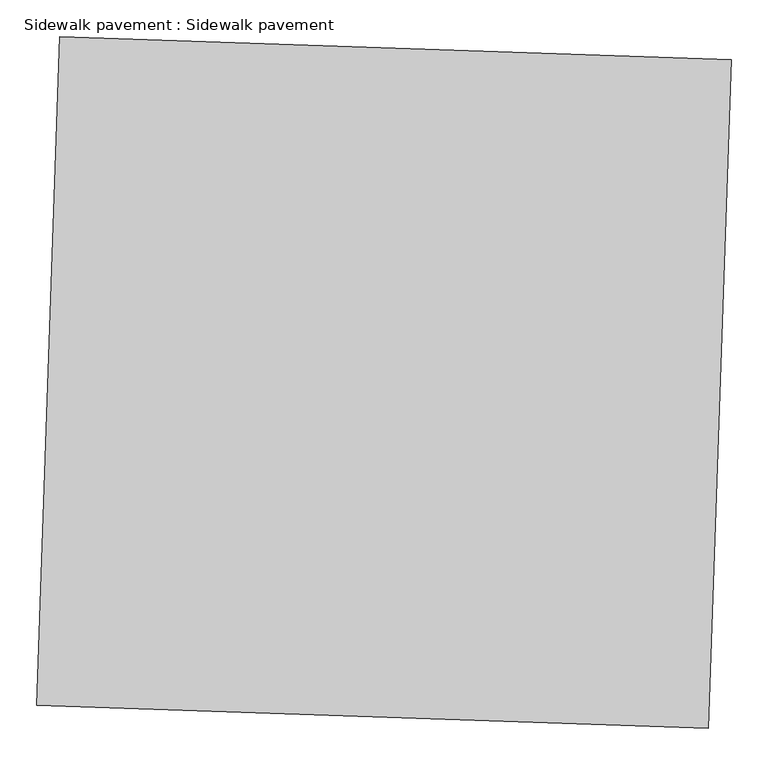
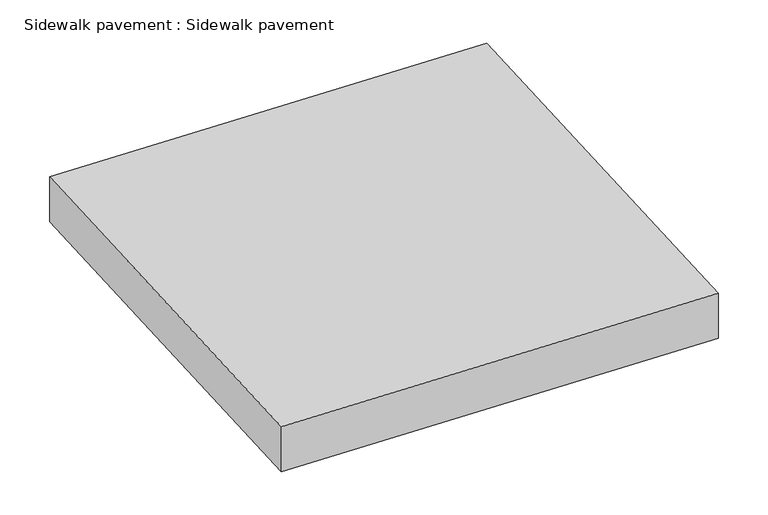
"""IFC4 building model written with IfcOpenShell, lengths in millimetres: proxy geometry, Sidewalk pavement : Sidewalk pavement."""

from ifc_helpers import new_model, si_unit, frame, origin, place, context, project, spatial, polyline, outline, extrude, source, transform, mapped, element, save


def sidewalk_pavement_sidewalk_pavement_e5bdaaae(model_context):
    return source(origin(), model_context, "Body", "SweptSolid", [
        extrude(outline(polyline([(33448.0343463, -15225.1860545), (33479.1839291, -14314.9598342), (34393.0489575, -14346.2339436), (34361.8993747, -15256.4601638), (33448.0343463, -15225.1860545)])), frame((0.0, 0.0, -101.6000091), z_axis=(0.0, 0.0, 1.0), x_axis=(1.0, 0.0, 0.0)), (0.0, 0.0, 1.0), 101.6000091),
    ])


if __name__ == "__main__":
    model = new_model("IFC4")
    model_context = context("Model", 3, world=origin())
    ifc_project = project(units=[si_unit("LENGTHUNIT", "METRE", prefix="MILLI")], contexts=[model_context])
    site = spatial("IfcSite", under=ifc_project)
    building = spatial("IfcBuilding", under=site)
    placement = place(None, origin())
    sidewalk_pavement_sidewalk_pavement_shape = sidewalk_pavement_sidewalk_pavement_e5bdaaae(model_context)
    element("IfcBuildingElementProxy", 1, Name="Sidewalk pavement : Sidewalk pavement", ObjectType="Sidewalk pavement : Sidewalk pavement", at=placement, inside=building, context=model_context, shape_type="MappedRepresentation", body=[
        mapped(sidewalk_pavement_sidewalk_pavement_shape, transform((0.0, 0.0, 0.0), x_axis=(1.0, 0.0, 0.0), y_axis=(0.0, 1.0, 0.0), z_axis=(0.0, 0.0, 1.0))),
    ])
    save(model, "model.ifc")
